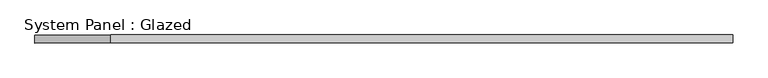
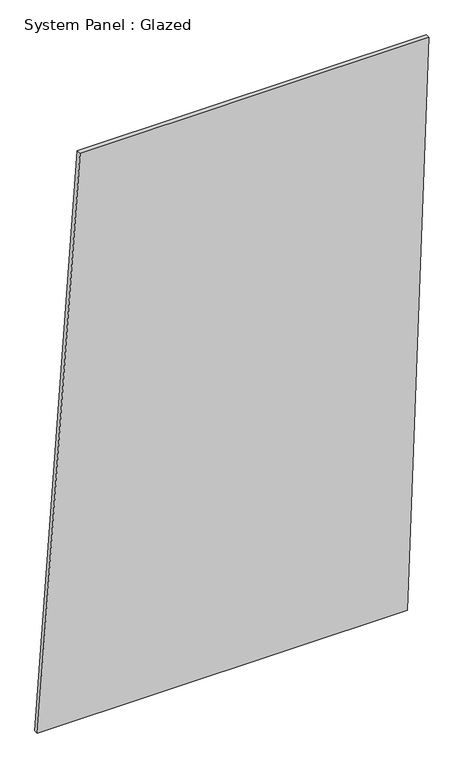
"""IFC4 building model written with IfcOpenShell, lengths in millimetres: plate geometry, System Panel : Glazed."""

from ifc_helpers import new_model, si_unit, frame, origin, place, context, project, spatial, polyline, outline, extrude, source, transform, mapped, element, save


def system_panel_glazed_8b071b4e(model_context):
    return source(origin(), model_context, "Body", "SweptSolid", [
        extrude(outline(polyline([(0.0, -1091.769973), (0.0, 973.1110246), (3334.8902684, 1091.769973), (3334.8902684, -854.4520761), (0.0, -1091.769973)])), frame((0.0, -49.5, 0.0), z_axis=(0.0, 1.0, 0.0), x_axis=(0.0, 0.0, 1.0)), (0.0, 0.0, 1.0), 25.0),
    ])


if __name__ == "__main__":
    model = new_model("IFC4")
    model_context = context("Model", 3, world=origin())
    ifc_project = project(units=[si_unit("LENGTHUNIT", "METRE", prefix="MILLI")], contexts=[model_context])
    site = spatial("IfcSite", under=ifc_project)
    building = spatial("IfcBuilding", under=site)
    placement = place(None, origin())
    system_panel_glazed_shape = system_panel_glazed_8b071b4e(model_context)
    element("IfcPlate", 1, ObjectType="System Panel : Glazed", at=placement, inside=building, context=model_context, shape_type="MappedRepresentation", body=[
        mapped(system_panel_glazed_shape, transform((0.0, 0.0, 0.0), x_axis=(1.0, 0.0, 0.0), y_axis=(0.0, 1.0, 0.0), z_axis=(0.0, 0.0, 1.0))),
    ])
    save(model, "model.ifc")
